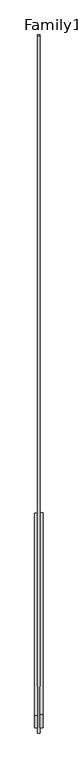
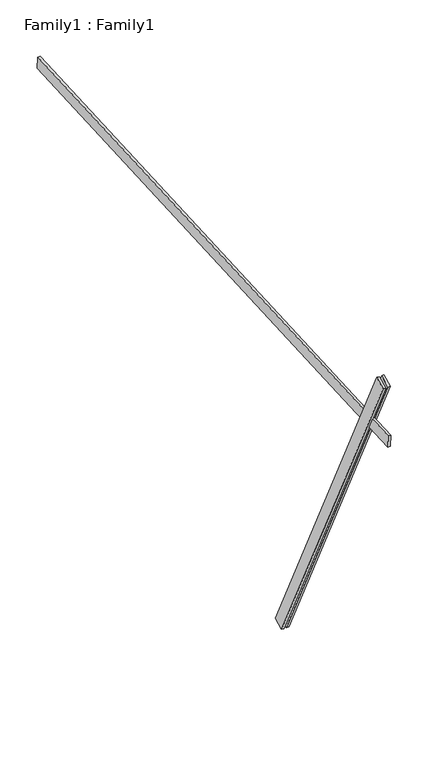
"""IFC4 building model written with IfcOpenShell, lengths in millimetres: proxy geometry, Family1 : Family1."""

from ifc_helpers import new_model, si_unit, frame, origin, place, context, project, spatial, polyline, outline, extrude, source, transform, mapped, element, save


def family1_family1_4c9a30aa(model_context):
    return source(origin(), model_context, "Body", "SweptSolid", [
        extrude(outline(polyline([(0.0, 0.0), (-100.0000001, 0.0), (-100.0000001, 20.0), (0.0, 20.0), (0.0, 0.0)])), frame((-30.0, -46.3241747, -22.5938096), z_axis=(0.0, -0.4383711467890692, 0.8987940462991711), x_axis=(0.0, -0.8987940462991711, -0.4383711467890692)), (0.0, 0.0, 1.0), 3300.0),
        extrude(outline(polyline([(0.0, 0.0), (-99.9999999, 0.0), (-99.9999999, 20.0), (0.0, 20.0), (0.0, 0.0)])), frame((10.0, -45.270232, -22.0797674), z_axis=(0.0, -0.4383711467890692, 0.8987940462991711), x_axis=(0.0, -0.8987940462991711, -0.4383711467890692)), (0.0, 0.0, 1.0), 3300.0),
        extrude(outline(polyline([(0.0, 20.0), (5000.0, 20.0), (5000.0, 0.0), (0.0, 0.0), (0.0, 20.0)])), frame((-10.0, 3467.0012357, 2712.5799111), z_axis=(0.0, -0.052335956242946347, 0.9986295347545738), x_axis=(0.0, -0.9986295347545738, -0.052335956242946347)), (0.0, 0.0, 1.0), 100.0),
    ])


if __name__ == "__main__":
    model = new_model("IFC4")
    model_context = context("Model", 3, world=origin())
    ifc_project = project(units=[si_unit("LENGTHUNIT", "METRE", prefix="MILLI")], contexts=[model_context])
    site = spatial("IfcSite", under=ifc_project)
    building = spatial("IfcBuilding", under=site)
    placement = place(None, origin())
    family1_family1_shape = family1_family1_4c9a30aa(model_context)
    element("IfcBuildingElementProxy", 1, Name="Family1 : Family1", ObjectType="Family1 : Family1", at=placement, inside=building, context=model_context, shape_type="MappedRepresentation", body=[
        mapped(family1_family1_shape, transform((0.0, 0.0, 0.0), x_axis=(1.0, 0.0, 0.0), y_axis=(0.0, 1.0, 0.0), z_axis=(0.0, 0.0, 1.0))),
    ])
    save(model, "model.ifc")
